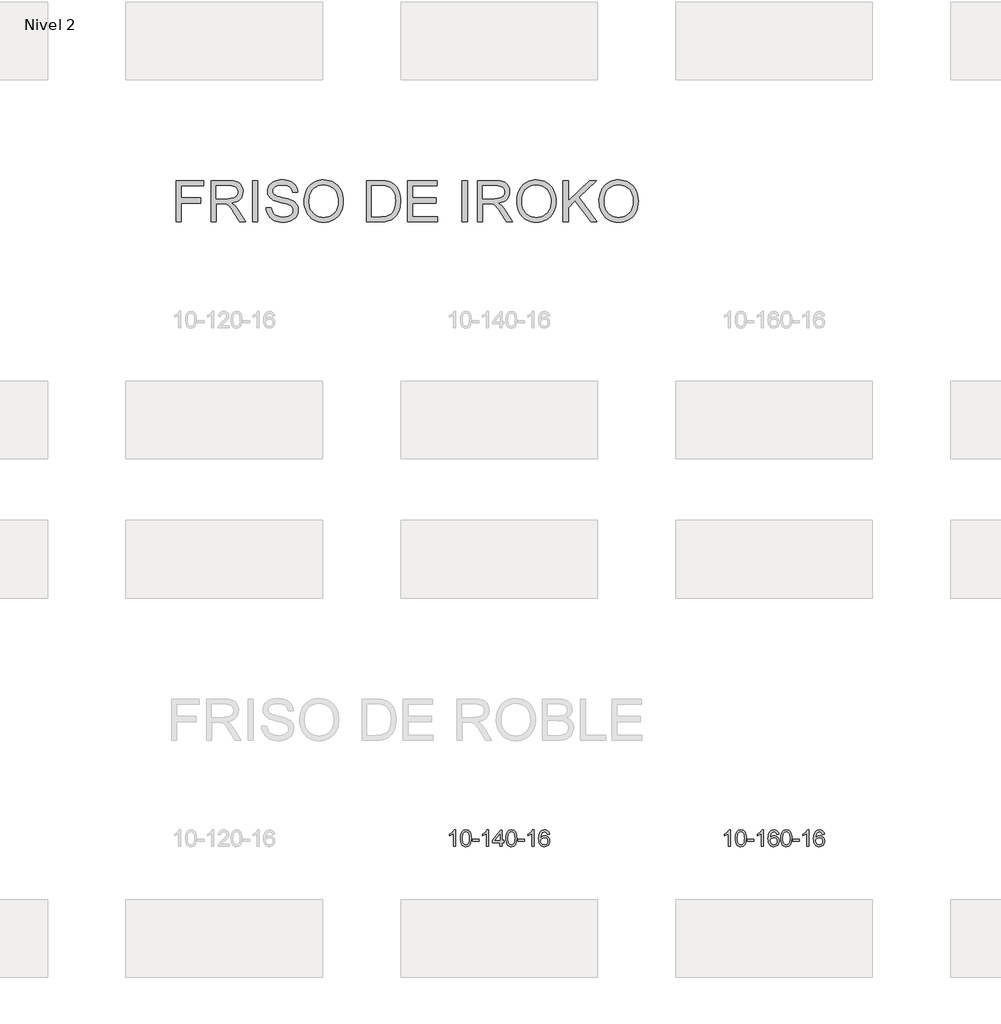
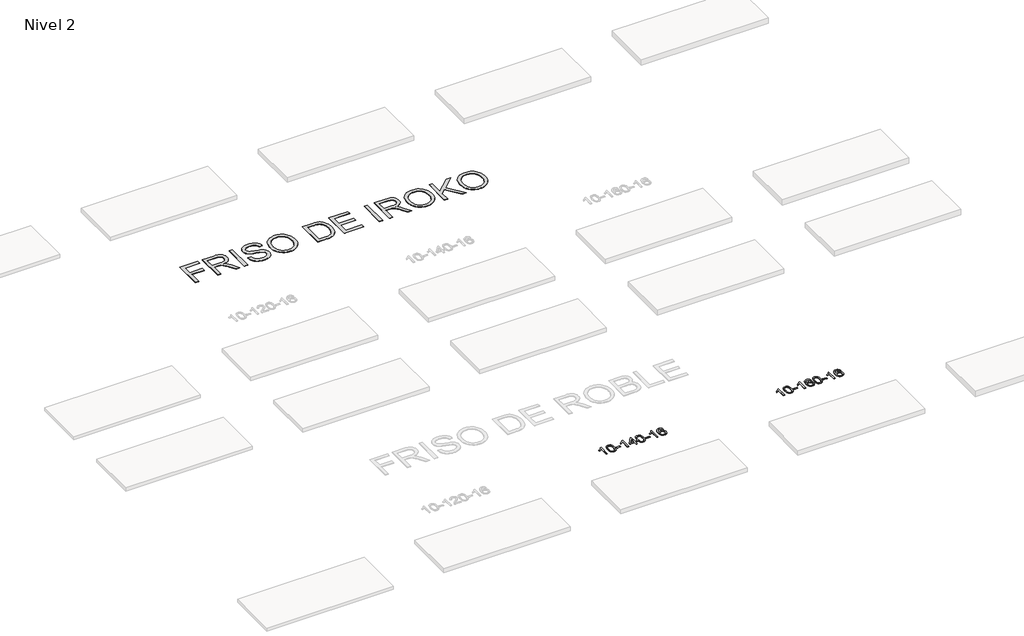
# One storey, part 42 of 51: 3 proxies.
"""IFC4 building model written with IfcOpenShell, lengths in millimetres."""

from ifc_helpers import new_model, si_unit, frame, origin, place, context, project, spatial, polyline, outline, extrude, element, save

model = new_model("IFC4")

# Units and contexts
model_context = context("Model", 3, world=origin())
ifc_project = project(units=[si_unit("LENGTHUNIT", "METRE", prefix="MILLI")], contexts=[model_context])

# Site, building, storey
site = spatial("IfcSite", under=ifc_project)
building = spatial("IfcBuilding", under=site)
storey = spatial("IfcBuildingStorey", under=building, Name="Nivel 2", Elevation=3000.0)

# Proxies
placement = place(None, origin())
element("IfcBuildingElementProxy", 1, Name="Texto de modelo 1", ObjectType="Texto de modelo 1", at=placement, inside=storey, context=model_context, shape_type="SweptSolid", body=[
    extrude(outline(polyline([(31530.5538842, -51771.9246439), (31480.3257291, -51771.9246439), (31480.3257291, -51458.7834896), (31459.3564554, -51475.7428496), (31432.7463244, -51492.6776841), (31379.869419, -51518.0370163), (31379.869419, -51470.5557135), (31419.3186316, -51449.0959304), (31453.494869, -51423.56492), (31480.4360937, -51396.4152287), (31498.1802686, -51370.0994033), (31530.5538842, -51370.0994033), (31530.5538842, -51771.9246439)])), frame((0.0, 0.0, 3000.0), z_axis=(0.0, 0.0, 1.0), x_axis=(1.0, 0.0, 0.0)), (0.0, 0.0, 1.0), 10.0),
    extrude(outline(polyline([(31649.8457525, -51574.2493852), (31653.5368352, -51509.9313497), (31664.6100833, -51458.6363368), (31682.9551321, -51419.5795317), (31694.8131951, -51404.3461514), (31708.4616171, -51391.9761193), (31723.9463834, -51382.4050561), (31741.3134792, -51375.5685823), (31781.6946596, -51370.0994033), (31812.6457981, -51373.3367649), (31840.3595751, -51383.0488496), (31863.5361408, -51398.8555126), (31880.8756455, -51420.3766093), (31893.9722445, -51447.4281987), (31904.4200932, -51479.8263398), (31911.2626983, -51520.9678096), (31913.5435667, -51574.2493852), (31909.8892722, -51638.1995387), (31898.9263887, -51689.3719242), (31880.6917045, -51728.4655176), (31868.8612327, -51743.7448831), (31855.2220077, -51756.1792945), (31839.7188473, -51765.8147371), (31822.2965691, -51772.6971961), (31781.6946596, -51778.2031633), (31754.0299335, -51775.8119304), (31729.5044672, -51768.6382314), (31708.1182606, -51756.6820666), (31689.8713136, -51739.9434358), (31672.3601306, -51709.6851417), (31659.8521428, -51671.9833686), (31652.3473501, -51626.8381164), (31649.8457525, -51574.2493852)]), holes=[polyline([(31700.0739076, -51574.1512833), (31701.5454356, -51617.8158105), (31705.9600195, -51653.1600732), (31713.3176594, -51680.1840714), (31723.6183553, -51698.8878052), (31736.0772922, -51711.6134565), (31749.9096552, -51720.7032075), (31765.1154443, -51726.1570581), (31781.6946596, -51727.9750082), (31798.2738748, -51726.1509267), (31813.479664, -51720.678682), (31827.312027, -51711.5582742), (31839.7709639, -51698.7897033), (31850.0716598, -51680.0553127), (31857.4292997, -51653.0374458), (31861.8438836, -51617.7361027), (31863.3154116, -51574.1512833), (31861.8929345, -51531.6425188), (31857.6255034, -51496.9205898), (31850.5131181, -51469.9854964), (31840.5557788, -51450.8372385), (31828.3053084, -51437.4892535), (31814.3135298, -51427.9549784), (31798.5804432, -51422.2344134), (31781.1060484, -51420.3275584), (31764.6126723, -51422.0075529), (31749.6644005, -51427.0475362), (31736.2612332, -51435.4475084), (31724.4031702, -51447.2074695), (31713.7591178, -51468.0541159), (31706.1562232, -51496.1603004), (31701.5944865, -51531.5260228), (31700.0739076, -51574.1512833)])]), frame((0.0, 0.0, 3000.0), z_axis=(0.0, 0.0, 1.0), x_axis=(1.0, 0.0, 0.0)), (0.0, 0.0, 1.0), 10.0),
    extrude(outline(polyline([(31944.9361636, -51652.6327756), (31944.9361636, -51602.4046206), (32101.8991482, -51602.4046206), (32101.8991482, -51652.6327756), (31944.9361636, -51652.6327756)])), frame((0.0, 0.0, 3000.0), z_axis=(0.0, 0.0, 1.0), x_axis=(1.0, 0.0, 0.0)), (0.0, 0.0, 1.0), 10.0),
    extrude(outline(polyline([(32334.2043654, -51771.9246439), (32283.9762103, -51771.9246439), (32283.9762103, -51458.7834896), (32263.0069366, -51475.7428496), (32236.3968056, -51492.6776841), (32183.5199002, -51518.0370163), (32183.5199002, -51470.5557135), (32222.9691128, -51449.0959304), (32257.1453502, -51423.56492), (32284.0865749, -51396.4152287), (32301.8307498, -51370.0994033), (32334.2043654, -51370.0994033), (32334.2043654, -51771.9246439)])), frame((0.0, 0.0, 3000.0), z_axis=(0.0, 0.0, 1.0), x_axis=(1.0, 0.0, 0.0)), (0.0, 0.0, 1.0), 10.0),
    extrude(outline(polyline([(32616.7377377, -51771.9246439), (32616.7377377, -51677.7468532), (32434.6606756, -51677.7468532), (32434.6606756, -51627.5186981), (32629.2947765, -51376.3779227), (32666.9658928, -51376.3779227), (32666.9658928, -51627.5186981), (32717.1940479, -51627.5186981), (32717.1940479, -51677.7468532), (32666.9658928, -51677.7468532), (32666.9658928, -51771.9246439), (32616.7377377, -51771.9246439)]), holes=[polyline([(32616.7377377, -51627.5186981), (32616.7377377, -51472.3215471), (32496.4648507, -51627.5186981), (32616.7377377, -51627.5186981)])]), frame((0.0, 0.0, 3000.0), z_axis=(0.0, 0.0, 1.0), x_axis=(1.0, 0.0, 0.0)), (0.0, 0.0, 1.0), 10.0),
    extrude(outline(polyline([(32761.1436835, -51574.2493852), (32764.8347662, -51509.9313497), (32775.9080143, -51458.6363368), (32794.2530631, -51419.5795317), (32806.1111261, -51404.3461514), (32819.7595481, -51391.9761193), (32835.2443144, -51382.4050561), (32852.6114103, -51375.5685823), (32892.9925906, -51370.0994033), (32923.9437291, -51373.3367649), (32951.6575061, -51383.0488496), (32974.8340718, -51398.8555126), (32992.1735765, -51420.3766093), (33005.2701755, -51447.4281987), (33015.7180242, -51479.8263398), (33022.5606293, -51520.9678096), (33024.8414977, -51574.2493852), (33021.1872032, -51638.1995387), (33010.2243197, -51689.3719242), (32991.9896355, -51728.4655176), (32980.1591637, -51743.7448831), (32966.5199387, -51756.1792945), (32951.0167783, -51765.8147371), (32933.5945001, -51772.6971961), (32892.9925906, -51778.2031633), (32865.3278646, -51775.8119304), (32840.8023982, -51768.6382314), (32819.4161916, -51756.6820666), (32801.1692446, -51739.9434358), (32783.6580616, -51709.6851417), (32771.1500738, -51671.9833686), (32763.6452811, -51626.8381164), (32761.1436835, -51574.2493852)]), holes=[polyline([(32811.3718386, -51574.1512833), (32812.8433666, -51617.8158105), (32817.2579505, -51653.1600732), (32824.6155904, -51680.1840714), (32834.9162863, -51698.8878052), (32847.3752232, -51711.6134565), (32861.2075862, -51720.7032075), (32876.4133754, -51726.1570581), (32892.9925906, -51727.9750082), (32909.5718059, -51726.1509267), (32924.777595, -51720.678682), (32938.609958, -51711.5582742), (32951.0688949, -51698.7897033), (32961.3695908, -51680.0553127), (32968.7272307, -51653.0374458), (32973.1418146, -51617.7361027), (32974.6133426, -51574.1512833), (32973.1908656, -51531.6425188), (32968.9234344, -51496.9205898), (32961.8110492, -51469.9854964), (32951.8537098, -51450.8372385), (32939.6032394, -51437.4892535), (32925.6114609, -51427.9549784), (32909.8783742, -51422.2344134), (32892.4039794, -51420.3275584), (32875.9106033, -51422.0075529), (32860.9623316, -51427.0475362), (32847.5591642, -51435.4475084), (32835.7011012, -51447.2074695), (32825.0570488, -51468.0541159), (32817.4541543, -51496.1603004), (32812.8924175, -51531.5260228), (32811.3718386, -51574.1512833)])]), frame((0.0, 0.0, 3000.0), z_axis=(0.0, 0.0, 1.0), x_axis=(1.0, 0.0, 0.0)), (0.0, 0.0, 1.0), 10.0),
    extrude(outline(polyline([(33056.2340946, -51652.6327756), (33056.2340946, -51602.4046206), (33213.1970792, -51602.4046206), (33213.1970792, -51652.6327756), (33056.2340946, -51652.6327756)])), frame((0.0, 0.0, 3000.0), z_axis=(0.0, 0.0, 1.0), x_axis=(1.0, 0.0, 0.0)), (0.0, 0.0, 1.0), 10.0),
    extrude(outline(polyline([(33445.5022964, -51771.9246439), (33395.2741414, -51771.9246439), (33395.2741414, -51458.7834896), (33374.3048676, -51475.7428496), (33347.6947367, -51492.6776841), (33294.8178312, -51518.0370163), (33294.8178312, -51470.5557135), (33334.2670438, -51449.0959304), (33368.4432812, -51423.56492), (33395.384506, -51396.4152287), (33413.1286809, -51370.0994033), (33445.5022964, -51370.0994033), (33445.5022964, -51771.9246439)])), frame((0.0, 0.0, 3000.0), z_axis=(0.0, 0.0, 1.0), x_axis=(1.0, 0.0, 0.0)), (0.0, 0.0, 1.0), 10.0),
    extrude(outline(polyline([(33822.2134595, -51476.8342329), (33771.9853044, -51483.1127523), (33763.8919005, -51458.2194039), (33752.9535425, -51441.2232557), (33730.1693843, -51425.5514827), (33702.6272856, -51420.3275584), (33679.2790416, -51423.3687162), (33657.3042238, -51432.4921897), (33638.4318774, -51451.7078926), (33623.0176218, -51478.1586081), (33612.6065614, -51515.572207), (33608.7438004, -51567.6765602), (33628.891471, -51544.1689007), (33653.0367927, -51527.6019482), (33679.8308646, -51517.7794989), (33707.9247863, -51514.5053492), (33732.0578452, -51516.743298), (33754.3269687, -51523.4571444), (33774.7321567, -51534.6468884), (33793.2734092, -51550.31253), (33808.6815334, -51569.5221016), (33819.6873365, -51591.3436352), (33826.2908183, -51615.7771311), (33828.4919789, -51642.8225891), (33824.3471751, -51678.7891855), (33811.9127636, -51712.131557), (33792.2188142, -51740.4094197), (33766.2953962, -51761.1824897), (33735.3197322, -51773.9479949), (33700.4690446, -51778.2031633), (33670.5265158, -51775.3827347), (33643.4841235, -51766.9214488), (33619.3418676, -51752.8193057), (33598.099748, -51733.0763052), (33580.7817031, -51706.8585817), (33568.411671, -51673.3322692), (33560.9896518, -51632.4973678), (33558.5156454, -51584.3538773), (33561.2624976, -51530.3794573), (33569.5030543, -51484.3145001), (33583.2373154, -51446.1590058), (33602.465281, -51415.9129745), (33623.3057961, -51395.8695371), (33647.4695118, -51381.5527961), (33674.9564282, -51372.9627515), (33705.7665453, -51370.0994033), (33728.9001914, -51371.8713683), (33749.8388083, -51377.1872631), (33768.582396, -51386.0470878), (33785.1309544, -51398.4508424), (33799.0368938, -51413.981594), (33809.8526245, -51432.2224096), (33817.5781464, -51453.1732892), (33822.2134595, -51476.8342329)]), holes=[polyline([(33608.7438004, -51642.0377742), (33611.6500682, -51664.2946349), (33620.3688715, -51685.5459515), (33633.9069289, -51703.8174239), (33651.2709591, -51717.1347521), (33672.2279701, -51725.2649442), (33696.5449699, -51727.9750082), (33729.6911377, -51722.3586765), (33743.6062742, -51715.3382617), (33755.7494457, -51705.5096811), (33765.5994861, -51693.2714734), (33772.6352293, -51679.0221774), (33778.2638238, -51644.4903208), (33772.7088057, -51611.344153), (33765.765033, -51597.7233222), (33756.0437513, -51586.07066), (33743.8637916, -51576.7356543), (33729.5439849, -51570.0677932), (33694.4848308, -51564.7335043), (33661.3877139, -51570.0677932), (33633.7107252, -51586.07066), (33622.7876956, -51597.570038), (33614.9855316, -51610.7310164), (33610.3042332, -51625.5535951), (33608.7438004, -51642.0377742)])]), frame((0.0, 0.0, 3000.0), z_axis=(0.0, 0.0, 1.0), x_axis=(1.0, 0.0, 0.0)), (0.0, 0.0, 1.0), 10.0),
])
element("IfcBuildingElementProxy", 2, Name="Texto de modelo 1", ObjectType="Texto de modelo 1", at=placement, inside=storey, context=model_context, shape_type="SweptSolid", body=[
    extrude(outline(polyline([(38245.494419, -51771.9246439), (38195.266264, -51771.9246439), (38195.266264, -51458.7834896), (38174.2969902, -51475.7428496), (38147.6868593, -51492.6776841), (38094.8099538, -51518.0370163), (38094.8099538, -51470.5557135), (38134.2591664, -51449.0959304), (38168.4354038, -51423.56492), (38195.3766286, -51396.4152287), (38213.1208035, -51370.0994033), (38245.494419, -51370.0994033), (38245.494419, -51771.9246439)])), frame((0.0, 0.0, 3000.0), z_axis=(0.0, 0.0, 1.0), x_axis=(1.0, 0.0, 0.0)), (0.0, 0.0, 1.0), 10.0),
    extrude(outline(polyline([(38364.7862873, -51574.2493852), (38368.47737, -51509.9313497), (38379.5506181, -51458.6363368), (38397.8956669, -51419.5795317), (38409.7537299, -51404.3461514), (38423.4021519, -51391.9761193), (38438.8869182, -51382.4050561), (38456.2540141, -51375.5685823), (38496.6351944, -51370.0994033), (38527.5863329, -51373.3367649), (38555.3001099, -51383.0488496), (38578.4766756, -51398.8555126), (38595.8161803, -51420.3766093), (38608.9127793, -51447.4281987), (38619.360628, -51479.8263398), (38626.2032331, -51520.9678096), (38628.4841015, -51574.2493852), (38624.829807, -51638.1995387), (38613.8669235, -51689.3719242), (38595.6322393, -51728.4655176), (38583.8017675, -51743.7448831), (38570.1625425, -51756.1792945), (38554.6593821, -51765.8147371), (38537.2371039, -51772.6971961), (38496.6351944, -51778.2031633), (38468.9704684, -51775.8119304), (38444.445002, -51768.6382314), (38423.0587954, -51756.6820666), (38404.8118484, -51739.9434358), (38387.3006654, -51709.6851417), (38374.7926776, -51671.9833686), (38367.2878849, -51626.8381164), (38364.7862873, -51574.2493852)]), holes=[polyline([(38415.0144424, -51574.1512833), (38416.4859704, -51617.8158105), (38420.9005543, -51653.1600732), (38428.2581942, -51680.1840714), (38438.5588901, -51698.8878052), (38451.017827, -51711.6134565), (38464.85019, -51720.7032075), (38480.0559792, -51726.1570581), (38496.6351944, -51727.9750082), (38513.2144097, -51726.1509267), (38528.4201988, -51720.678682), (38542.2525618, -51711.5582742), (38554.7114987, -51698.7897033), (38565.0121946, -51680.0553127), (38572.3698345, -51653.0374458), (38576.7844184, -51617.7361027), (38578.2559464, -51574.1512833), (38576.8334694, -51531.6425188), (38572.5660382, -51496.9205898), (38565.453653, -51469.9854964), (38555.4963136, -51450.8372385), (38543.2458432, -51437.4892535), (38529.2540646, -51427.9549784), (38513.520978, -51422.2344134), (38496.0465832, -51420.3275584), (38479.5532071, -51422.0075529), (38464.6049354, -51427.0475362), (38451.201768, -51435.4475084), (38439.343705, -51447.2074695), (38428.6996526, -51468.0541159), (38421.0967581, -51496.1603004), (38416.5350213, -51531.5260228), (38415.0144424, -51574.1512833)])]), frame((0.0, 0.0, 3000.0), z_axis=(0.0, 0.0, 1.0), x_axis=(1.0, 0.0, 0.0)), (0.0, 0.0, 1.0), 10.0),
    extrude(outline(polyline([(38659.8766984, -51652.6327756), (38659.8766984, -51602.4046206), (38816.839683, -51602.4046206), (38816.839683, -51652.6327756), (38659.8766984, -51652.6327756)])), frame((0.0, 0.0, 3000.0), z_axis=(0.0, 0.0, 1.0), x_axis=(1.0, 0.0, 0.0)), (0.0, 0.0, 1.0), 10.0),
    extrude(outline(polyline([(39049.1449002, -51771.9246439), (38998.9167452, -51771.9246439), (38998.9167452, -51458.7834896), (38977.9474714, -51475.7428496), (38951.3373404, -51492.6776841), (38898.460435, -51518.0370163), (38898.460435, -51470.5557135), (38937.9096476, -51449.0959304), (38972.085885, -51423.56492), (38999.0271098, -51396.4152287), (39016.7712847, -51370.0994033), (39049.1449002, -51370.0994033), (39049.1449002, -51771.9246439)])), frame((0.0, 0.0, 3000.0), z_axis=(0.0, 0.0, 1.0), x_axis=(1.0, 0.0, 0.0)), (0.0, 0.0, 1.0), 10.0),
    extrude(outline(polyline([(39425.8560633, -51476.8342329), (39375.6279082, -51483.1127523), (39367.5345043, -51458.2194039), (39356.5961463, -51441.2232557), (39333.8119881, -51425.5514827), (39306.2698894, -51420.3275584), (39282.9216454, -51423.3687162), (39260.9468276, -51432.4921897), (39242.0744812, -51451.7078926), (39226.6602256, -51478.1586081), (39216.2491652, -51515.572207), (39212.3864042, -51567.6765602), (39232.5340748, -51544.1689007), (39256.6793964, -51527.6019482), (39283.4734684, -51517.7794989), (39311.5673901, -51514.5053492), (39335.700449, -51516.743298), (39357.9695725, -51523.4571444), (39378.3747604, -51534.6468884), (39396.916013, -51550.31253), (39412.3241372, -51569.5221016), (39423.3299403, -51591.3436352), (39429.9334221, -51615.7771311), (39432.1345827, -51642.8225891), (39427.9897789, -51678.7891855), (39415.5553674, -51712.131557), (39395.861418, -51740.4094197), (39369.938, -51761.1824897), (39338.962336, -51773.9479949), (39304.1116484, -51778.2031633), (39274.1691196, -51775.3827347), (39247.1267273, -51766.9214488), (39222.9844714, -51752.8193057), (39201.7423518, -51733.0763052), (39184.4243069, -51706.8585817), (39172.0542748, -51673.3322692), (39164.6322556, -51632.4973678), (39162.1582492, -51584.3538773), (39164.9051014, -51530.3794573), (39173.1456581, -51484.3145001), (39186.8799192, -51446.1590058), (39206.1078848, -51415.9129745), (39226.9483999, -51395.8695371), (39251.1121156, -51381.5527961), (39278.599032, -51372.9627515), (39309.4091491, -51370.0994033), (39332.5427952, -51371.8713683), (39353.4814121, -51377.1872631), (39372.2249998, -51386.0470878), (39388.7735582, -51398.4508424), (39402.6794976, -51413.981594), (39413.4952283, -51432.2224096), (39421.2207502, -51453.1732892), (39425.8560633, -51476.8342329)]), holes=[polyline([(39212.3864042, -51642.0377742), (39215.292672, -51664.2946349), (39224.0114753, -51685.5459515), (39237.5495327, -51703.8174239), (39254.9135629, -51717.1347521), (39275.8705739, -51725.2649442), (39300.1875737, -51727.9750082), (39333.3337415, -51722.3586765), (39347.248878, -51715.3382617), (39359.3920495, -51705.5096811), (39369.2420899, -51693.2714734), (39376.2778331, -51679.0221774), (39381.9064276, -51644.4903208), (39376.3514095, -51611.344153), (39369.4076368, -51597.7233222), (39359.6863551, -51586.07066), (39347.5063954, -51576.7356543), (39333.1865887, -51570.0677932), (39298.1274346, -51564.7335043), (39265.0303177, -51570.0677932), (39237.353329, -51586.07066), (39226.4302994, -51597.570038), (39218.6281354, -51610.7310164), (39213.946837, -51625.5535951), (39212.3864042, -51642.0377742)])]), frame((0.0, 0.0, 3000.0), z_axis=(0.0, 0.0, 1.0), x_axis=(1.0, 0.0, 0.0)), (0.0, 0.0, 1.0), 10.0),
    extrude(outline(polyline([(39476.0842184, -51574.2493852), (39479.7753011, -51509.9313497), (39490.8485491, -51458.6363368), (39509.1935979, -51419.5795317), (39521.0516609, -51404.3461514), (39534.7000829, -51391.9761193), (39550.1848492, -51382.4050561), (39567.5519451, -51375.5685823), (39607.9331254, -51370.0994033), (39638.884264, -51373.3367649), (39666.5980409, -51383.0488496), (39689.7746066, -51398.8555126), (39707.1141113, -51420.3766093), (39720.2107104, -51447.4281987), (39730.658559, -51479.8263398), (39737.5011641, -51520.9678096), (39739.7820325, -51574.2493852), (39736.127738, -51638.1995387), (39725.1648546, -51689.3719242), (39706.9301703, -51728.4655176), (39695.0996985, -51743.7448831), (39681.4604735, -51756.1792945), (39665.9573131, -51765.8147371), (39648.535035, -51772.6971961), (39607.9331254, -51778.2031633), (39580.2683994, -51775.8119304), (39555.7429331, -51768.6382314), (39534.3567264, -51756.6820666), (39516.1097794, -51739.9434358), (39498.5985965, -51709.6851417), (39486.0906086, -51671.9833686), (39478.5858159, -51626.8381164), (39476.0842184, -51574.2493852)]), holes=[polyline([(39526.3123734, -51574.1512833), (39527.7839014, -51617.8158105), (39532.1984854, -51653.1600732), (39539.5561253, -51680.1840714), (39549.8568211, -51698.8878052), (39562.315758, -51711.6134565), (39576.1481211, -51720.7032075), (39591.3539102, -51726.1570581), (39607.9331254, -51727.9750082), (39624.5123407, -51726.1509267), (39639.7181298, -51720.678682), (39653.5504928, -51711.5582742), (39666.0094297, -51698.7897033), (39676.3101256, -51680.0553127), (39683.6677655, -51653.0374458), (39688.0823495, -51617.7361027), (39689.5538774, -51574.1512833), (39688.1314004, -51531.6425188), (39683.8639692, -51496.9205898), (39676.751584, -51469.9854964), (39666.7942447, -51450.8372385), (39654.5437742, -51437.4892535), (39640.5519957, -51427.9549784), (39624.818909, -51422.2344134), (39607.3445142, -51420.3275584), (39590.8511381, -51422.0075529), (39575.9028664, -51427.0475362), (39562.499699, -51435.4475084), (39550.6416361, -51447.2074695), (39539.9975837, -51468.0541159), (39532.3946891, -51496.1603004), (39527.8329524, -51531.5260228), (39526.3123734, -51574.1512833)])]), frame((0.0, 0.0, 3000.0), z_axis=(0.0, 0.0, 1.0), x_axis=(1.0, 0.0, 0.0)), (0.0, 0.0, 1.0), 10.0),
    extrude(outline(polyline([(39771.1746294, -51652.6327756), (39771.1746294, -51602.4046206), (39928.137614, -51602.4046206), (39928.137614, -51652.6327756), (39771.1746294, -51652.6327756)])), frame((0.0, 0.0, 3000.0), z_axis=(0.0, 0.0, 1.0), x_axis=(1.0, 0.0, 0.0)), (0.0, 0.0, 1.0), 10.0),
    extrude(outline(polyline([(40160.4428313, -51771.9246439), (40110.2146762, -51771.9246439), (40110.2146762, -51458.7834896), (40089.2454025, -51475.7428496), (40062.6352715, -51492.6776841), (40009.758366, -51518.0370163), (40009.758366, -51470.5557135), (40049.2075787, -51449.0959304), (40083.383816, -51423.56492), (40110.3250408, -51396.4152287), (40128.0692157, -51370.0994033), (40160.4428313, -51370.0994033), (40160.4428313, -51771.9246439)])), frame((0.0, 0.0, 3000.0), z_axis=(0.0, 0.0, 1.0), x_axis=(1.0, 0.0, 0.0)), (0.0, 0.0, 1.0), 10.0),
    extrude(outline(polyline([(40537.1539943, -51476.8342329), (40486.9258392, -51483.1127523), (40478.8324354, -51458.2194039), (40467.8940774, -51441.2232557), (40445.1099191, -51425.5514827), (40417.5678204, -51420.3275584), (40394.2195765, -51423.3687162), (40372.2447586, -51432.4921897), (40353.3724123, -51451.7078926), (40337.9581567, -51478.1586081), (40327.5470962, -51515.572207), (40323.6843353, -51567.6765602), (40343.8320059, -51544.1689007), (40367.9773275, -51527.6019482), (40394.7713995, -51517.7794989), (40422.8653212, -51514.5053492), (40446.99838, -51516.743298), (40469.2675035, -51523.4571444), (40489.6726915, -51534.6468884), (40508.213944, -51550.31253), (40523.6220683, -51569.5221016), (40534.6278713, -51591.3436352), (40541.2313531, -51615.7771311), (40543.4325137, -51642.8225891), (40539.2877099, -51678.7891855), (40526.8532985, -51712.131557), (40507.159349, -51740.4094197), (40481.2359311, -51761.1824897), (40450.2602671, -51773.9479949), (40415.4095794, -51778.2031633), (40385.4670507, -51775.3827347), (40358.4246583, -51766.9214488), (40334.2824024, -51752.8193057), (40313.0402829, -51733.0763052), (40295.7222379, -51706.8585817), (40283.3522059, -51673.3322692), (40275.9301866, -51632.4973678), (40273.4561802, -51584.3538773), (40276.2030324, -51530.3794573), (40284.4435891, -51484.3145001), (40298.1778503, -51446.1590058), (40317.4058159, -51415.9129745), (40338.2463309, -51395.8695371), (40362.4100466, -51381.5527961), (40389.896963, -51372.9627515), (40420.7070801, -51370.0994033), (40443.8407262, -51371.8713683), (40464.7793431, -51377.1872631), (40483.5229308, -51386.0470878), (40500.0714892, -51398.4508424), (40513.9774286, -51413.981594), (40524.7931593, -51432.2224096), (40532.5186812, -51453.1732892), (40537.1539943, -51476.8342329)]), holes=[polyline([(40323.6843353, -51642.0377742), (40326.590603, -51664.2946349), (40335.3094063, -51685.5459515), (40348.8474637, -51703.8174239), (40366.2114939, -51717.1347521), (40387.1685049, -51725.2649442), (40411.4855048, -51727.9750082), (40444.6316725, -51722.3586765), (40458.546809, -51715.3382617), (40470.6899805, -51705.5096811), (40480.5400209, -51693.2714734), (40487.5757641, -51679.0221774), (40493.2043586, -51644.4903208), (40487.6493405, -51611.344153), (40480.7055678, -51597.7233222), (40470.9842861, -51586.07066), (40458.8043264, -51576.7356543), (40444.4845197, -51570.0677932), (40409.4253656, -51564.7335043), (40376.3282488, -51570.0677932), (40348.65126, -51586.07066), (40337.7282304, -51597.570038), (40329.9260664, -51610.7310164), (40325.2447681, -51625.5535951), (40323.6843353, -51642.0377742)])]), frame((0.0, 0.0, 3000.0), z_axis=(0.0, 0.0, 1.0), x_axis=(1.0, 0.0, 0.0)), (0.0, 0.0, 1.0), 10.0),
])
element("IfcBuildingElementProxy", 3, Name="Texto de modelo 2", ObjectType="Texto de modelo 2", at=placement, inside=storey, context=model_context, shape_type="SweptSolid", body=[
    extrude(outline(polyline([(24705.856584, -36522.0107616), (24705.856584, -35517.4476601), (25380.7974178, -35517.4476601), (25380.7974178, -35643.0180478), (24831.4269717, -35643.0180478), (24831.4269717, -35941.2477186), (25302.3159255, -35941.2477186), (25302.3159255, -36066.8181063), (24831.4269717, -36066.8181063), (24831.4269717, -36522.0107616), (24705.856584, -36522.0107616)])), frame((0.0, 0.0, 3000.0), z_axis=(0.0, 0.0, 1.0), x_axis=(1.0, 0.0, 0.0)), (0.0, 0.0, 1.0), 10.0),
    extrude(outline(polyline([(25553.4567009, -36522.0107616), (25553.4567009, -35517.4476601), (25986.3311819, -35517.4476601), (26048.464918, -35519.1414502), (26102.6738629, -35524.2228202), (26148.9580164, -35532.6917703), (26187.3173786, -35544.5483005), (26219.9822341, -35560.7044514), (26249.1828675, -35582.072264), (26274.9192787, -35608.6517381), (26297.1914678, -35640.4428739), (26315.1640361, -35675.7365528), (26328.0015849, -35712.8236564), (26335.7041142, -35751.7041848), (26338.271624, -35792.3781379), (26334.0179884, -35843.9735877), (26321.2570817, -35891.3383946), (26299.9889038, -35934.4725585), (26270.2134548, -35973.3760795), (26231.5475243, -36006.8073558), (26183.6079018, -36033.5247857), (26126.3945874, -36053.5283692), (26059.9075809, -36066.8181063), (26101.2943054, -36093.8574329), (26131.276688, -36120.5288776), (26182.7188537, -36181.5359751), (26233.0573733, -36249.7780852), (26400.5663085, -36522.0107616), (26254.6397837, -36522.0107616), (26123.9190481, -36313.7895524), (26071.6184911, -36234.3270414), (26029.4960027, -36175.9564315), (25994.393929, -36135.7653235), (25963.1546162, -36110.8413184), (25933.5707724, -36096.2180091), (25903.4351057, -36086.9289887), (25830.5944706, -36082.5144047), (25679.0270886, -36082.5144047), (25679.0270886, -36522.0107616), (25553.4567009, -36522.0107616)]), holes=[polyline([(25679.0270886, -35956.9440171), (25960.0889329, -35956.9440171), (26040.808374, -35952.4987763), (26103.4402837, -35939.163054), (26128.624872, -35928.9390002), (26150.5904927, -35916.0478019), (26169.3371461, -35900.4894592), (26184.864832, -35882.263972), (26197.0432588, -35862.2680528), (26205.7421352, -35841.3984137), (26210.961461, -35819.655055), (26212.7012363, -35797.0379765), (26209.3826341, -35764.924944), (26199.4268276, -35735.7856243), (26182.8338168, -35709.6200174), (26159.6036016, -35686.4281233), (26129.1996876, -35667.4362153), (26091.08558, -35653.8705667), (26045.261279, -35645.7311775), (25991.7267845, -35643.0180478), (25679.0270886, -35643.0180478), (25679.0270886, -35956.9440171)])]), frame((0.0, 0.0, 3000.0), z_axis=(0.0, 0.0, 1.0), x_axis=(1.0, 0.0, 0.0)), (0.0, 0.0, 1.0), 10.0),
    extrude(outline(polyline([(26573.7161009, -36522.0107616), (26573.7161009, -35517.4476601), (26699.2864886, -35517.4476601), (26699.2864886, -36522.0107616), (26573.7161009, -36522.0107616)])), frame((0.0, 0.0, 3000.0), z_axis=(0.0, 0.0, 1.0), x_axis=(1.0, 0.0, 0.0)), (0.0, 0.0, 1.0), 10.0),
    extrude(outline(polyline([(26903.3383685, -36176.6921955), (27028.9087562, -36176.6921955), (27034.6569124, -36213.2428046), (27043.3174677, -36246.3751768), (27054.8904221, -36276.0893121), (27069.3757757, -36302.3852105), (27087.5092924, -36325.7917025), (27110.0267362, -36346.8376183), (27136.9281071, -36365.5229579), (27168.2134051, -36381.8477215), (27202.732999, -36395.0991375), (27239.3372575, -36404.5644347), (27278.0261806, -36410.243613), (27318.7997684, -36412.1366724), (27388.7586612, -36406.4038447), (27420.4731548, -36399.23781), (27450.0110134, -36389.2053614), (27476.644137, -36376.6667167), (27499.6444259, -36361.9820937), (27519.0118801, -36345.1514925), (27534.7464996, -36326.1749129), (27546.9249265, -36305.8724253), (27555.6238028, -36285.0640999), (27560.8431286, -36263.7499368), (27562.5829039, -36241.929936), (27557.3712423, -36199.899418), (27541.7362575, -36163.571071), (27528.5844762, -36147.4532411), (27509.9757786, -36132.5770129), (27485.9101647, -36118.9423865), (27456.3876346, -36106.5493618), (27390.076905, -36086.8370182), (27273.550283, -36058.6020751), (27153.5287821, -36026.872253), (27109.727832, -36011.5821575), (27076.7334156, -35996.6752725), (27043.2025046, -35976.671689), (27014.2241333, -35954.4301568), (26989.7983016, -35929.9506757), (26969.9250097, -35903.2332458), (26954.5276153, -35874.5537785), (26943.5294765, -35844.1881855), (26936.9305932, -35812.1364667), (26934.7309655, -35778.3986221), (26937.4517594, -35741.0049501), (26945.6141412, -35704.8528799), (26959.2181108, -35669.9424114), (26978.2636682, -35636.2735446), (27002.5362157, -35605.2181728), (27031.8211554, -35578.1481894), (27066.1184872, -35555.0635942), (27105.4282112, -35535.9643872), (27148.4244194, -35520.9961886), (27193.7812037, -35510.3046181), (27241.4985642, -35503.8896758), (27291.5765008, -35501.7513617), (27346.2069771, -35503.9893105), (27397.5265154, -35510.7031569), (27445.5351158, -35521.8929009), (27490.2327782, -35537.5585425), (27530.7917682, -35557.562126), (27566.3843512, -35581.7656956), (27597.0105273, -35610.1692513), (27622.6702964, -35642.7727932), (27643.1643893, -35678.6259593), (27658.2935363, -35716.7783879), (27668.0577376, -35757.2300789), (27672.4569931, -35799.9810324), (27546.8866054, -35799.9810324), (27538.4866332, -35759.9125518), (27523.8326671, -35725.0557328), (27502.924707, -35695.4105753), (27475.762753, -35670.9770795), (27441.8409674, -35651.8778726), (27400.6535124, -35638.2355819), (27352.2003879, -35630.0502075), (27296.4815941, -35627.3217494), (27238.9847039, -35630.0195507), (27189.8571291, -35638.1129546), (27149.0988697, -35651.6019611), (27116.7099257, -35670.4865701), (27092.0311752, -35693.1879549), (27074.4034963, -35718.1272885), (27063.8268889, -35745.3045709), (27060.3013532, -35774.7198021), (27062.799885, -35800.0270177), (27070.2954807, -35822.9736571), (27082.7881401, -35843.5597205), (27100.2778633, -35861.7852076), (27127.8076993, -35879.0450046), (27171.156461, -35896.4887425), (27230.3241486, -35914.1164214), (27305.3107619, -35931.9280414), (27443.7570195, -35965.5892439), (27492.470727, -35980.8103615), (27527.511487, -35994.9584899), (27566.008805, -36016.4029445), (27599.0951919, -36040.5145436), (27626.7706479, -36067.2932872), (27649.0351728, -36096.7391752), (27666.1493498, -36128.6989235), (27678.3737619, -36163.019248), (27685.7084092, -36199.7001486), (27688.1532916, -36238.7416254), (27685.3405272, -36278.0206925), (27676.9022339, -36316.1501285), (27662.8384118, -36353.1299332), (27643.1490608, -36388.9601067), (27618.1790704, -36422.2534273), (27588.2733299, -36451.6226732), (27553.4318393, -36477.0678446), (27513.6545985, -36498.5889413), (27470.0989032, -36515.7031183), (27423.9220486, -36527.9275304), (27375.1240347, -36535.2621777), (27323.7048617, -36537.7070601), (27259.4711325, -36535.0705725), (27200.6789911, -36527.1611096), (27147.3284376, -36513.9786714), (27099.419472, -36495.523258), (27056.6608542, -36471.7642125), (27018.7613445, -36442.670878), (26985.7209428, -36408.2432546), (26957.5396492, -36368.4813423), (26934.8382644, -36324.6727281), (26918.2375893, -36278.1049988), (26907.7376241, -36228.7781547), (26903.3383685, -36176.6921955)])), frame((0.0, 0.0, 3000.0), z_axis=(0.0, 0.0, 1.0), x_axis=(1.0, 0.0, 0.0)), (0.0, 0.0, 1.0), 10.0),
    extrude(outline(polyline([(27829.4199777, -36032.9729627), (27831.5123066, -35972.3682361), (27837.7892931, -35915.1434253), (27848.2509374, -35861.2985304), (27862.8972393, -35810.8335513), (27881.7281989, -35763.748488), (27904.7438162, -35720.0433406), (27931.9440913, -35679.718109), (27963.329024, -35642.7727932), (27998.0210625, -35609.7208952), (28035.1426551, -35581.0759169), (28074.6938017, -35556.8378584), (28116.6745023, -35537.0067196), (28161.0847569, -35521.5825005), (28207.9245655, -35510.5652012), (28257.1939281, -35503.9548216), (28308.8928448, -35501.7513617), (28376.475833, -35505.8900341), (28440.6559127, -35518.3060515), (28501.433084, -35538.9994137), (28558.8073468, -35567.9701208), (28611.1692175, -35604.3444531), (28656.9092122, -35647.2486908), (28696.027331, -35696.6828339), (28728.5235739, -35752.6468824), (28754.0607158, -35813.8685778), (28772.3015314, -35879.0756614), (28783.2460207, -35948.2681333), (28786.8941838, -36021.4459935), (28783.0544155, -36095.589544), (28771.5351106, -36165.7170493), (28752.3362689, -36231.8285095), (28725.4578907, -36293.9239246), (28691.536105, -36350.3631541), (28651.2070413, -36399.5060572), (28604.4706995, -36441.3526342), (28551.3270796, -36475.9028849), (28493.8685105, -36502.9422116), (28434.187321, -36522.2560163), (28372.2835111, -36533.8442992), (28308.1570808, -36537.7070601), (28239.3938045, -36533.4380961), (28174.3706619, -36520.6312042), (28113.0876529, -36499.2863842), (28055.5447774, -36469.4036363), (28003.2442205, -36432.1402559), (27957.6881667, -36388.6535384), (27918.8766162, -36338.9434838), (27886.809569, -36283.0100921), (27861.7016228, -36223.0989764), (27843.7673755, -36161.4557495), (27833.0068272, -36098.0804117), (27829.4199777, -36032.9729627)]), holes=[polyline([(27954.9903654, -36034.199236), (27956.5596121, -36076.9923427), (27961.267352, -36117.4478659), (27969.1135851, -36155.5658055), (27980.0983116, -36191.3461616), (27994.2215313, -36224.7889343), (28011.4832443, -36255.8941234), (28031.8834506, -36284.661729), (28055.4221501, -36311.0917511), (28081.32909, -36334.7741545), (28108.8340173, -36355.2989042), (28137.936932, -36372.666), (28168.6378341, -36386.8754421), (28200.9367237, -36397.9272304), (28234.8336006, -36405.8213648), (28270.328465, -36410.5578455), (28307.4213168, -36412.1366724), (28345.192451, -36410.5425171), (28381.2506347, -36405.7600512), (28415.5958679, -36397.7892746), (28448.2281505, -36386.6301874), (28479.1474825, -36372.2827896), (28508.353864, -36354.7470812), (28535.847295, -36334.0230621), (28561.6277755, -36310.1107324), (28584.9940303, -36283.2668431), (28605.2447845, -36253.7481451), (28622.3800381, -36221.5546384), (28636.399791, -36186.686323), (28647.3040433, -36149.143199), (28655.0927949, -36108.9252663), (28659.7660458, -36066.0325249), (28661.3237962, -36020.4649749), (28658.6566517, -35962.9987416), (28650.6552183, -35909.3032987), (28637.319496, -35859.3786462), (28618.6494847, -35813.2247843), (28594.8521182, -35771.4471852), (28566.1343299, -35734.6513215), (28532.49612, -35702.8371931), (28493.9374884, -35676.0048001), (28451.6540515, -35654.7059654), (28406.841426, -35639.492512), (28359.4996117, -35630.36444), (28309.6286088, -35627.3217494), (28239.5624171, -35633.1848687), (28174.5546029, -35650.7742266), (28143.9475873, -35663.966245), (28114.6051661, -35680.0898231), (28059.7141067, -35721.1316581), (28035.1694799, -35746.5442566), (28013.8974699, -35775.8770975), (27995.8980769, -35809.130181), (27981.1713007, -35846.303507), (27969.7171415, -35887.3970755), (27961.5355993, -35932.4108865), (27956.6266739, -35981.34494), (27954.9903654, -36034.199236)])]), frame((0.0, 0.0, 3000.0), z_axis=(0.0, 0.0, 1.0), x_axis=(1.0, 0.0, 0.0)), (0.0, 0.0, 1.0), 10.0),
    extrude(outline(polyline([(29351.9609284, -36522.0107616), (29351.9609284, -35517.4476601), (29698.5057679, -35517.4476601), (29802.0645495, -35521.0651664), (29877.7869269, -35531.9176853), (29919.3882492, -35543.8585217), (29957.8625745, -35559.8154033), (29993.2099029, -35579.7883299), (30025.4302343, -35603.7773017), (30062.6629579, -35639.7071099), (30094.8986177, -35680.2967567), (30122.1372138, -35725.5462421), (30144.3787461, -35775.4555661), (30161.6538714, -35829.5648762), (30173.9932467, -35887.41432), (30181.3968718, -35949.0038973), (30183.8647469, -36014.3336083), (30182.1939495, -36069.8607969), (30177.1815573, -36122.1536897), (30168.8275703, -36171.2122866), (30157.1319886, -36217.0365876), (30126.597783, -36297.8173424), (30108.4795947, -36332.4825563), (30088.4606828, -36363.3309944), (30044.560098, -36415.0490715), (29996.7354387, -36454.4431019), (29941.8290509, -36483.6590636), (29876.6832809, -36504.8429352), (29801.1755014, -36517.718805), (29715.183085, -36522.0107616), (29351.9609284, -36522.0107616)]), holes=[polyline([(29477.5313161, -36396.440374), (29699.7320412, -36396.440374), (29791.6412263, -36391.9031627), (29829.2724888, -36386.2316486), (29861.3548644, -36378.2915289), (29913.9619897, -36356.4025501), (29935.758998, -36342.6529606), (29954.5516365, -36327.0333042), (29977.720538, -36301.8563802), (29998.1763098, -36272.6787394), (30015.9189519, -36239.500382), (30030.9484642, -36202.3213078), (30042.9122933, -36161.0648749), (30051.4578854, -36115.6544411), (30056.5852407, -36066.0900065), (30058.2943592, -36012.371571), (30054.9451002, -35939.4696223), (30044.8973232, -35875.5194688), (30028.1510282, -35820.5211105), (30004.7062152, -35774.4745474), (29976.4636079, -35736.3374473), (29945.3239298, -35705.0674777), (29911.2871811, -35680.6646387), (29874.3533616, -35663.1289302), (29842.4395985, -35654.3304192), (29802.1258632, -35648.0457684), (29696.2984759, -35643.0180478), (29477.5313161, -35643.0180478), (29477.5313161, -36396.440374)])]), frame((0.0, 0.0, 3000.0), z_axis=(0.0, 0.0, 1.0), x_axis=(1.0, 0.0, 0.0)), (0.0, 0.0, 1.0), 10.0),
    extrude(outline(polyline([(30356.5240299, -36522.0107616), (30356.5240299, -35517.4476601), (31078.5537591, -35517.4476601), (31078.5537591, -35643.0180478), (30482.0944176, -35643.0180478), (30482.0944176, -35941.2477186), (31047.1611622, -35941.2477186), (31047.1611622, -36066.8181063), (30482.0944176, -36066.8181063), (30482.0944176, -36396.440374), (31094.2500576, -36396.440374), (31094.2500576, -36522.0107616), (30356.5240299, -36522.0107616)])), frame((0.0, 0.0, 3000.0), z_axis=(0.0, 0.0, 1.0), x_axis=(1.0, 0.0, 0.0)), (0.0, 0.0, 1.0), 10.0),
    extrude(outline(polyline([(31690.7093991, -36522.0107616), (31690.7093991, -35517.4476601), (31816.2797868, -35517.4476601), (31816.2797868, -36522.0107616), (31690.7093991, -36522.0107616)])), frame((0.0, 0.0, 3000.0), z_axis=(0.0, 0.0, 1.0), x_axis=(1.0, 0.0, 0.0)), (0.0, 0.0, 1.0), 10.0),
    extrude(outline(polyline([(32067.4205622, -36522.0107616), (32067.4205622, -35517.4476601), (32500.2950432, -35517.4476601), (32562.4287793, -35519.1414502), (32616.6377241, -35524.2228202), (32662.9218777, -35532.6917703), (32701.2812399, -35544.5483005), (32733.9460954, -35560.7044514), (32763.1467287, -35582.072264), (32788.88314, -35608.6517381), (32811.1553291, -35640.4428739), (32829.1278974, -35675.7365528), (32841.9654462, -35712.8236564), (32849.6679755, -35751.7041848), (32852.2354852, -35792.3781379), (32847.9818496, -35843.9735877), (32835.2209429, -35891.3383946), (32813.9527651, -35934.4725585), (32784.1773161, -35973.3760795), (32745.5113856, -36006.8073558), (32697.5717631, -36033.5247857), (32640.3584486, -36053.5283692), (32573.8714422, -36066.8181063), (32615.2581667, -36093.8574329), (32645.2405493, -36120.5288776), (32696.6827149, -36181.5359751), (32747.0212346, -36249.7780852), (32914.5301697, -36522.0107616), (32768.603645, -36522.0107616), (32637.8829094, -36313.7895524), (32585.5823524, -36234.3270414), (32543.4598639, -36175.9564315), (32508.3577902, -36135.7653235), (32477.1184775, -36110.8413184), (32447.5346337, -36096.2180091), (32417.3989669, -36086.9289887), (32344.5583319, -36082.5144047), (32192.9909499, -36082.5144047), (32192.9909499, -36522.0107616), (32067.4205622, -36522.0107616)]), holes=[polyline([(32192.9909499, -35956.9440171), (32474.0527942, -35956.9440171), (32554.7722353, -35952.4987763), (32617.404145, -35939.163054), (32642.5887332, -35928.9390002), (32664.554354, -35916.0478019), (32683.3010073, -35900.4894592), (32698.8286932, -35882.263972), (32711.0071201, -35862.2680528), (32719.7059965, -35841.3984137), (32724.9253223, -35819.655055), (32726.6650975, -35797.0379765), (32723.3464954, -35764.924944), (32713.3906889, -35735.7856243), (32696.797678, -35709.6200174), (32673.5674629, -35686.4281233), (32643.1635488, -35667.4362153), (32605.0494413, -35653.8705667), (32559.2251403, -35645.7311775), (32505.6906458, -35643.0180478), (32192.9909499, -35643.0180478), (32192.9909499, -35956.9440171)])]), frame((0.0, 0.0, 3000.0), z_axis=(0.0, 0.0, 1.0), x_axis=(1.0, 0.0, 0.0)), (0.0, 0.0, 1.0), 10.0),
    extrude(outline(polyline([(33024.8947683, -36032.9729627), (33026.9870971, -35972.3682361), (33033.2640837, -35915.1434253), (33043.7257279, -35861.2985304), (33058.3720298, -35810.8335513), (33077.2029895, -35763.748488), (33100.2186068, -35720.0433406), (33127.4188818, -35679.718109), (33158.8038145, -35642.7727932), (33193.4958531, -35609.7208952), (33230.6174457, -35581.0759169), (33270.1685923, -35556.8378584), (33312.1492929, -35537.0067196), (33356.5595475, -35521.5825005), (33403.3993561, -35510.5652012), (33452.6687187, -35503.9548216), (33504.3676353, -35501.7513617), (33571.9506235, -35505.8900341), (33636.1307033, -35518.3060515), (33696.9078746, -35538.9994137), (33754.2821374, -35567.9701208), (33806.644008, -35604.3444531), (33852.3840028, -35647.2486908), (33891.5021216, -35696.6828339), (33923.9983645, -35752.6468824), (33949.5355063, -35813.8685778), (33967.7763219, -35879.0756614), (33978.7208113, -35948.2681333), (33982.3689744, -36021.4459935), (33978.5292061, -36095.589544), (33967.0099011, -36165.7170493), (33947.8110595, -36231.8285095), (33920.9326812, -36293.9239246), (33887.0108956, -36350.3631541), (33846.6818318, -36399.5060572), (33799.94549, -36441.3526342), (33746.8018702, -36475.9028849), (33689.343301, -36502.9422116), (33629.6621115, -36522.2560163), (33567.7583016, -36533.8442992), (33503.6318713, -36537.7070601), (33434.8685951, -36533.4380961), (33369.8454524, -36520.6312042), (33308.5624434, -36499.2863842), (33251.019568, -36469.4036363), (33198.719011, -36432.1402559), (33153.1629573, -36388.6535384), (33114.3514068, -36338.9434838), (33082.2843595, -36283.0100921), (33057.1764134, -36223.0989764), (33039.2421661, -36161.4557495), (33028.4816177, -36098.0804117), (33024.8947683, -36032.9729627)]), holes=[polyline([(33150.465156, -36034.199236), (33152.0344026, -36076.9923427), (33156.7421425, -36117.4478659), (33164.5883757, -36155.5658055), (33175.5731021, -36191.3461616), (33189.6963219, -36224.7889343), (33206.9580349, -36255.8941234), (33227.3582411, -36284.661729), (33250.8969407, -36311.0917511), (33276.8038805, -36334.7741545), (33304.3088078, -36355.2989042), (33333.4117225, -36372.666), (33364.1126247, -36386.8754421), (33396.4115142, -36397.9272304), (33430.3083912, -36405.8213648), (33465.8032556, -36410.5578455), (33502.8961074, -36412.1366724), (33540.6672416, -36410.5425171), (33576.7254253, -36405.7600512), (33611.0706584, -36397.7892746), (33643.702941, -36386.6301874), (33674.6222731, -36372.2827896), (33703.8286546, -36354.7470812), (33731.3220856, -36334.0230621), (33757.102566, -36310.1107324), (33780.4688209, -36283.2668431), (33800.7195751, -36253.7481451), (33817.8548286, -36221.5546384), (33831.8745815, -36186.686323), (33842.7788338, -36149.143199), (33850.5675854, -36108.9252663), (33855.2408364, -36066.0325249), (33856.7985867, -36020.4649749), (33854.1314422, -35962.9987416), (33846.1300089, -35909.3032987), (33832.7942865, -35859.3786462), (33814.1242753, -35813.2247843), (33790.3269087, -35771.4471852), (33761.6091205, -35734.6513215), (33727.9709105, -35702.8371931), (33689.4122789, -35676.0048001), (33647.1288421, -35654.7059654), (33602.3162165, -35639.492512), (33554.9744023, -35630.36444), (33505.1033993, -35627.3217494), (33435.0372077, -35633.1848687), (33370.0293934, -35650.7742266), (33339.4223779, -35663.966245), (33310.0799566, -35680.0898231), (33255.1888973, -35721.1316581), (33230.6442704, -35746.5442566), (33209.3722605, -35775.8770975), (33191.3728674, -35809.130181), (33176.6460913, -35846.303507), (33165.1919321, -35887.3970755), (33157.0103898, -35932.4108865), (33152.1014644, -35981.34494), (33150.465156, -36034.199236)])]), frame((0.0, 0.0, 3000.0), z_axis=(0.0, 0.0, 1.0), x_axis=(1.0, 0.0, 0.0)), (0.0, 0.0, 1.0), 10.0),
    extrude(outline(polyline([(34155.0282575, -36522.0107616), (34155.0282575, -35517.4476601), (34280.5986452, -35517.4476601), (34280.5986452, -36009.1832604), (34795.6334384, -35517.4476601), (34971.2357774, -35517.4476601), (34538.8518058, -35930.4565134), (34986.9320759, -36522.0107616), (34833.4026566, -36522.0107616), (34449.8243629, -36015.314627), (34280.5986452, -36176.6921955), (34280.5986452, -36522.0107616), (34155.0282575, -36522.0107616)])), frame((0.0, 0.0, 3000.0), z_axis=(0.0, 0.0, 1.0), x_axis=(1.0, 0.0, 0.0)), (0.0, 0.0, 1.0), 10.0),
    extrude(outline(polyline([(35034.0209713, -36032.9729627), (35036.1133001, -35972.3682361), (35042.3902867, -35915.1434253), (35052.8519309, -35861.2985304), (35067.4982328, -35810.8335513), (35086.3291925, -35763.748488), (35109.3448098, -35720.0433406), (35136.5450848, -35679.718109), (35167.9300175, -35642.7727932), (35202.6220561, -35609.7208952), (35239.7436487, -35581.0759169), (35279.2947953, -35556.8378584), (35321.2754958, -35537.0067196), (35365.6857505, -35521.5825005), (35412.5255591, -35510.5652012), (35461.7949217, -35503.9548216), (35513.4938383, -35501.7513617), (35581.0768265, -35505.8900341), (35645.2569063, -35518.3060515), (35706.0340776, -35538.9994137), (35763.4083404, -35567.9701208), (35815.770211, -35604.3444531), (35861.5102058, -35647.2486908), (35900.6283246, -35696.6828339), (35933.1245675, -35752.6468824), (35958.6617093, -35813.8685778), (35976.9025249, -35879.0756614), (35987.8470143, -35948.2681333), (35991.4951774, -36021.4459935), (35987.6554091, -36095.589544), (35976.1361041, -36165.7170493), (35956.9372625, -36231.8285095), (35930.0588842, -36293.9239246), (35896.1370986, -36350.3631541), (35855.8080348, -36399.5060572), (35809.071693, -36441.3526342), (35755.9280731, -36475.9028849), (35698.469504, -36502.9422116), (35638.7883145, -36522.2560163), (35576.8845046, -36533.8442992), (35512.7580743, -36537.7070601), (35443.9947981, -36533.4380961), (35378.9716554, -36520.6312042), (35317.6886464, -36499.2863842), (35260.145771, -36469.4036363), (35207.845214, -36432.1402559), (35162.2891603, -36388.6535384), (35123.4776098, -36338.9434838), (35091.4105625, -36283.0100921), (35066.3026164, -36223.0989764), (35048.3683691, -36161.4557495), (35037.6078207, -36098.0804117), (35034.0209713, -36032.9729627)]), holes=[polyline([(35159.591359, -36034.199236), (35161.1606056, -36076.9923427), (35165.8683455, -36117.4478659), (35173.7145787, -36155.5658055), (35184.6993051, -36191.3461616), (35198.8225249, -36224.7889343), (35216.0842378, -36255.8941234), (35236.4844441, -36284.661729), (35260.0231436, -36311.0917511), (35285.9300835, -36334.7741545), (35313.4350108, -36355.2989042), (35342.5379255, -36372.666), (35373.2388277, -36386.8754421), (35405.5377172, -36397.9272304), (35439.4345942, -36405.8213648), (35474.9294586, -36410.5578455), (35512.0223103, -36412.1366724), (35549.7934446, -36410.5425171), (35585.8516283, -36405.7600512), (35620.1968614, -36397.7892746), (35652.829144, -36386.6301874), (35683.7484761, -36372.2827896), (35712.9548576, -36354.7470812), (35740.4482886, -36334.0230621), (35766.228769, -36310.1107324), (35789.5950239, -36283.2668431), (35809.8457781, -36253.7481451), (35826.9810316, -36221.5546384), (35841.0007845, -36186.686323), (35851.9050368, -36149.143199), (35859.6937884, -36108.9252663), (35864.3670394, -36066.0325249), (35865.9247897, -36020.4649749), (35863.2576452, -35962.9987416), (35855.2562118, -35909.3032987), (35841.9204895, -35859.3786462), (35823.2504783, -35813.2247843), (35799.4531117, -35771.4471852), (35770.7353235, -35734.6513215), (35737.0971135, -35702.8371931), (35698.5384819, -35676.0048001), (35656.2550451, -35654.7059654), (35611.4424195, -35639.492512), (35564.1006053, -35630.36444), (35514.2296023, -35627.3217494), (35444.1634107, -35633.1848687), (35379.1555964, -35650.7742266), (35348.5485808, -35663.966245), (35319.2061596, -35680.0898231), (35264.3151003, -35721.1316581), (35239.7704734, -35746.5442566), (35218.4984634, -35775.8770975), (35200.4990704, -35809.130181), (35185.7722943, -35846.303507), (35174.3181351, -35887.3970755), (35166.1365928, -35932.4108865), (35161.2276674, -35981.34494), (35159.591359, -36034.199236)])]), frame((0.0, 0.0, 3000.0), z_axis=(0.0, 0.0, 1.0), x_axis=(1.0, 0.0, 0.0)), (0.0, 0.0, 1.0), 10.0),
])

save(model, "model.ifc")
